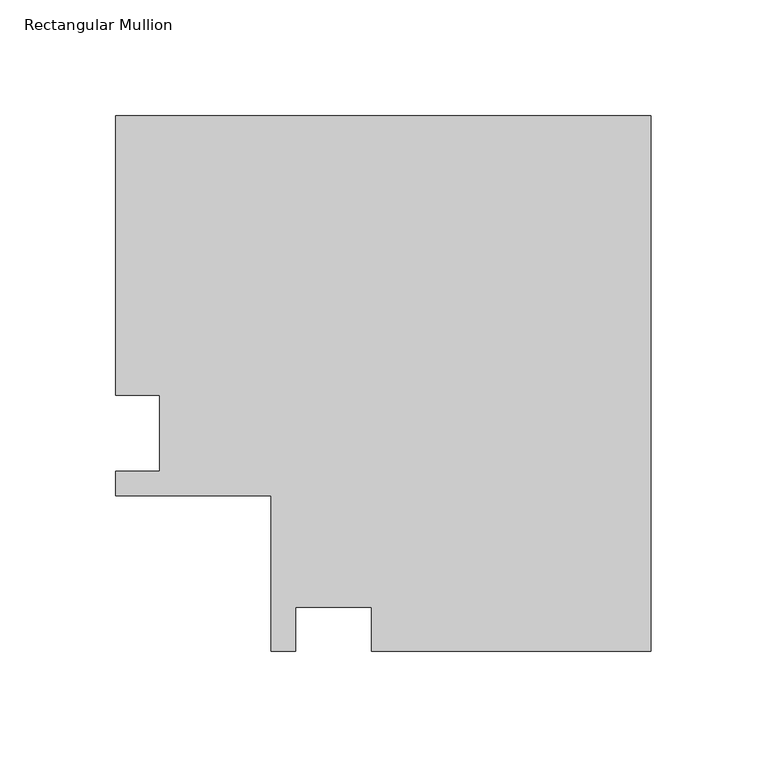
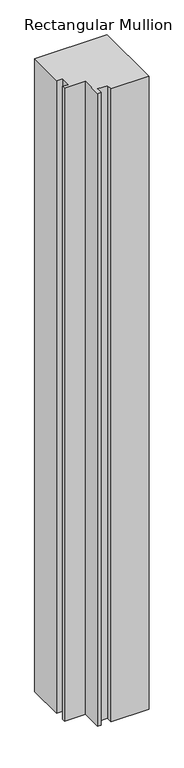
"""IFC4 building model written with IfcOpenShell, lengths in millimetres: member geometry, Rectangular Mullion."""

from ifc_helpers import new_model, si_unit, frame, origin, place, context, project, spatial, polyline, outline, extrude, source, transform, mapped, element, save


def rectangular_mullion_87b1c756(model_context):
    return source(origin(), model_context, "Body", "SweptSolid", [
        extrude(outline(polyline([(-231.14, 152.4), (0.0, 152.4), (0.0, -78.74), (-120.65, -78.74), (-120.65, -59.69), (-153.416, -59.69), (-153.416, -78.74), (-164.084, -78.74), (-164.084, -11.684), (-231.14, -11.684), (-231.14, -1.016), (-212.09, -1.016), (-212.09, 31.75), (-231.14, 31.75), (-231.14, 152.4)])), frame((0.0, 0.0, -2133.6), z_axis=(0.0, 0.0, 1.0), x_axis=(1.0, 0.0, 0.0)), (0.0, 0.0, 1.0), 2133.6),
    ])


if __name__ == "__main__":
    model = new_model("IFC4")
    model_context = context("Model", 3, world=origin())
    ifc_project = project(units=[si_unit("LENGTHUNIT", "METRE", prefix="MILLI")], contexts=[model_context])
    site = spatial("IfcSite", under=ifc_project)
    building = spatial("IfcBuilding", under=site)
    placement = place(None, origin())
    rectangular_mullion_shape = rectangular_mullion_87b1c756(model_context)
    element("IfcMember", 1, ObjectType="Rectangular Mullion", at=placement, inside=building, context=model_context, shape_type="MappedRepresentation", body=[
        mapped(rectangular_mullion_shape, transform((0.0, 0.0, 0.0), x_axis=(1.0, 0.0, 0.0), y_axis=(0.0, 1.0, 0.0), z_axis=(0.0, 0.0, 1.0))),
    ])
    save(model, "model.ifc")
